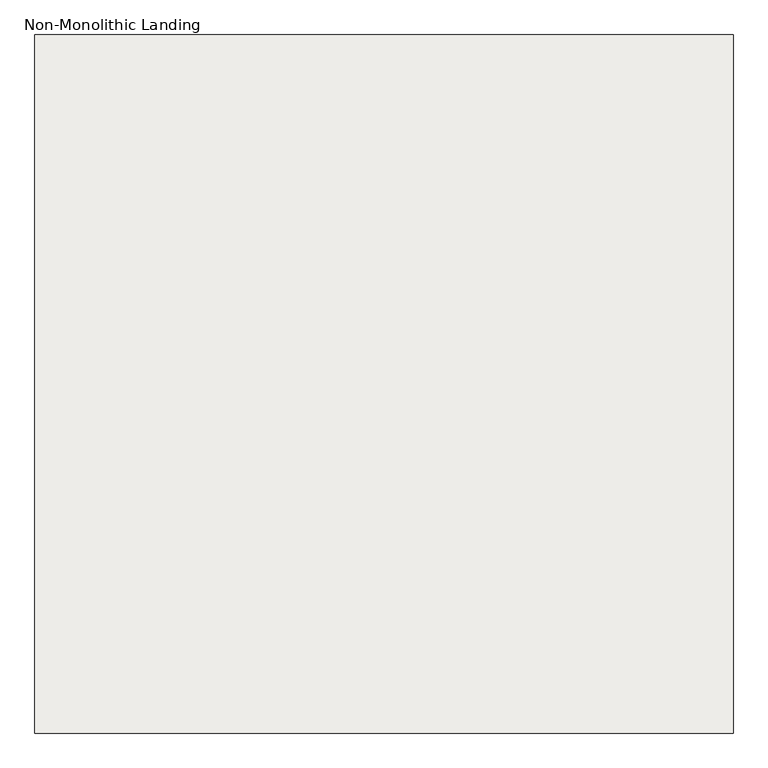
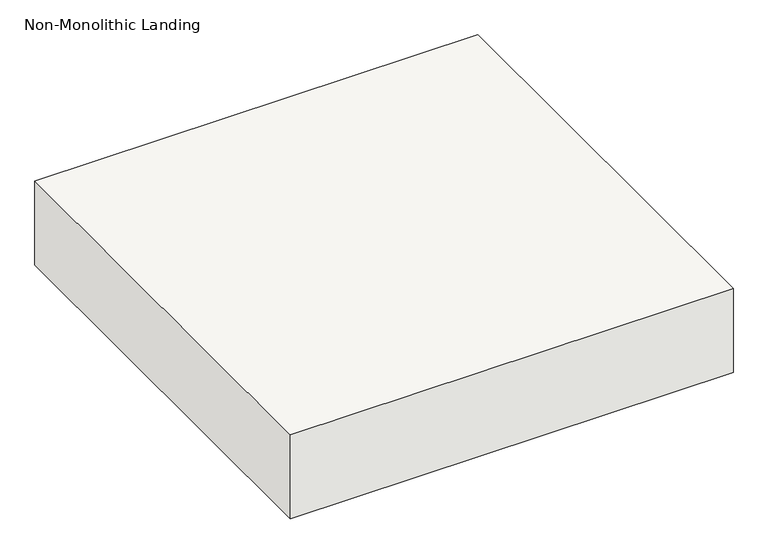
"""IFC4 building model written with IfcOpenShell, lengths in millimetres: slab geometry, Non-Monolithic Landing."""

import ifcopenshell
import ifcopenshell.guid

model = None  # the IFC model being written
_history = None  # IfcOwnerHistory: only IFC2X3 demands one
_inside = {}  # id of a spatial element -> (the spatial element, [elements in it])
_under = {}  # id of a project, library or spatial element -> (it, [spatial elements below it])
_declared = {}  # id of a project -> (the project, [libraries it declares])
_typed = {}  # id of a type object -> (the type object, [elements of that type])
_made_of = {}  # id of a material, layer set ... -> (it, [elements and type objects made of it])


def new_model(schema):
    """Start an empty IFC model of exactly this schema.

    Asked for "IFC4X3", IfcOpenShell would pick the latest addendum, in which some entities
    have other attributes; the version numbers below select the first issue.
    IFC2X3 requires an IfcOwnerHistory on every rooted entity: one is made here for all.
    """
    global model, _history
    if schema == "IFC4X3":
        model = ifcopenshell.file(schema_version=(4, 3, 0, 0))
    else:
        model = ifcopenshell.file(schema=schema)
    _inside.clear()
    _under.clear()
    _declared.clear()
    _typed.clear()
    _made_of.clear()
    _history = None
    if model.schema == "IFC2X3":
        org = make("IfcOrganization", Name="unknown")
        user = make(
            "IfcPersonAndOrganization",
            ThePerson=make("IfcPerson", FamilyName="unknown"),
            TheOrganization=org,
        )
        app = make(
            "IfcApplication",
            ApplicationDeveloper=org,
            Version="unknown",
            ApplicationFullName="unknown",
            ApplicationIdentifier="unknown",
        )
        _history = make(
            "IfcOwnerHistory",
            OwningUser=user,
            OwningApplication=app,
            ChangeAction="ADDED",
            CreationDate=0,
        )
    return model


def make(cls, **values):
    """One entity of the class cls with the attributes given. An attribute that is None is left unset."""
    return model.create_entity(
        cls, **{name: value for name, value in values.items() if value is not None}
    )


def rooted(cls, **values):
    """An entity with a GlobalId (a new one), such as an element, a storey or a relation."""
    return make(cls, GlobalId=ifcopenshell.guid.new(), OwnerHistory=_history, **values)


def si_unit(unit_type, name, prefix=None):
    """IfcSIUnit, for example si_unit("LENGTHUNIT", "METRE", prefix="MILLI")."""
    return make("IfcSIUnit", UnitType=unit_type, Prefix=prefix, Name=name)


def assignment(units):
    """IfcUnitAssignment: the units of a project."""
    return None if units is None else make("IfcUnitAssignment", Units=units)


def point(xyz):
    """IfcCartesianPoint."""
    return None if xyz is None else make("IfcCartesianPoint", Coordinates=xyz)


def direction(xyz):
    """IfcDirection."""
    return None if xyz is None else make("IfcDirection", DirectionRatios=xyz)


def frame(location, z_axis=None, x_axis=None):
    """IfcAxis2Placement3D, a coordinate frame: its origin and axes. An axis left out is left unset."""
    return make(
        "IfcAxis2Placement3D",
        Location=point(location),
        Axis=direction(z_axis),
        RefDirection=direction(x_axis),
    )


def origin():
    """The frame at (0, 0, 0) with its axes left unset."""
    return frame((0.0, 0.0, 0.0))


def place(relative_to, where):
    """IfcLocalPlacement: puts the frame where relative to a parent placement (None: the world)."""
    return make(
        "IfcLocalPlacement", PlacementRelTo=relative_to, RelativePlacement=where
    )


def context(
    kind, dimensions, precision=None, world=None, true_north=None, identifier=None
):
    """IfcGeometricRepresentationContext, for example the 3D "Model" context."""
    return make(
        "IfcGeometricRepresentationContext",
        ContextIdentifier=identifier,
        ContextType=kind,
        CoordinateSpaceDimension=dimensions,
        Precision=precision,
        WorldCoordinateSystem=world,
        TrueNorth=true_north,
    )


def project(units=None, contexts=None):
    """IfcProject with its units and contexts."""
    return rooted(
        "IfcProject",
        Name="project",
        RepresentationContexts=contexts,
        UnitsInContext=assignment(units),
    )


def spatial(cls, under=None, at=None, **own):
    """A site, building, storey or space (cls), placed at a placement, below another one or the project."""
    s = rooted(cls, ObjectPlacement=at, **own)
    if under is not None:
        _under.setdefault(under.id(), (under, []))[1].append(s)
    return s


def polyline(points):
    """IfcPolyline through the points."""
    return make("IfcPolyline", Points=[point(p) for p in points])


def outline(outer, holes=None, kind="AREA"):
    """IfcArbitraryClosedProfileDef: a profile drawn as a closed curve; with holes, ...WithVoids."""
    if holes is None:
        return make("IfcArbitraryClosedProfileDef", ProfileType=kind, OuterCurve=outer)
    return make(
        "IfcArbitraryProfileDefWithVoids",
        ProfileType=kind,
        OuterCurve=outer,
        InnerCurves=holes,
    )


def extrude(swept, where, along, depth):
    """IfcExtrudedAreaSolid: the profile swept, set in the frame where, extruded along a direction by depth."""
    return make(
        "IfcExtrudedAreaSolid",
        SweptArea=swept,
        Position=where,
        ExtrudedDirection=direction(along),
        Depth=depth,
    )


def shape(context_of_items, identifier, shape_type, items):
    """IfcShapeRepresentation: the items that make up one representation, for example the "Body"."""
    return make(
        "IfcShapeRepresentation",
        ContextOfItems=context_of_items,
        RepresentationIdentifier=identifier,
        RepresentationType=shape_type,
        Items=items,
    )


def source(mapping_origin, context_of_items, identifier, shape_type, items):
    """IfcRepresentationMap: a shape defined once, which mapped items show again and again."""
    return make(
        "IfcRepresentationMap",
        MappingOrigin=mapping_origin,
        MappedRepresentation=shape(context_of_items, identifier, shape_type, items),
    )


def transform(
    local_origin,
    x_axis=None,
    y_axis=None,
    z_axis=None,
    scale=None,
    scale2=None,
    scale3=None,
    uniform=True,
):
    """IfcCartesianTransformationOperator3D, or its non-uniform kind. x_axis, y_axis, z_axis: its Axis1, 2, 3."""
    if uniform:
        return make(
            "IfcCartesianTransformationOperator3D",
            Axis1=direction(x_axis),
            Axis2=direction(y_axis),
            LocalOrigin=point(local_origin),
            Scale=scale,
            Axis3=direction(z_axis),
        )
    return make(
        "IfcCartesianTransformationOperator3DnonUniform",
        Axis1=direction(x_axis),
        Axis2=direction(y_axis),
        LocalOrigin=point(local_origin),
        Scale=scale,
        Axis3=direction(z_axis),
        Scale2=scale2,
        Scale3=scale3,
    )


def mapped(mapping_source, mapping_target):
    """IfcMappedItem: shows the shape of a source again, moved by a transform."""
    return make(
        "IfcMappedItem", MappingSource=mapping_source, MappingTarget=mapping_target
    )


def made_of(thing, what):
    """Note that an element or type object is made of a material, layer set ...; save() writes the relation."""
    if what is not None:
        _made_of.setdefault(what.id(), (what, []))[1].append(thing)
    return thing


def element(
    cls,
    number,
    at=None,
    inside=None,
    cuts=None,
    type_object=None,
    material=None,
    context=None,
    identifier="Body",
    shape_type=None,
    held_by="IfcProductDefinitionShape",
    body=None,
    shapes=None,
    **own,
):
    """One element of the class cls, such as IfcWall. Its Tag is "e" and its number.

    at: its placement. inside: the storey or other place that contains it. cuts: it is an
    opening in that element (IfcRelVoidsElement). A single representation is given by context,
    identifier, shape_type and body (its items); several are given by shapes. held_by: the class
    of the entity that holds the representations. save() writes the other relations.
    """
    e = rooted(cls, Tag="e%d" % number, ObjectPlacement=at, **own)
    if body is not None:
        shapes = [shape(context, identifier, shape_type, body)]
    if shapes is not None:
        e.Representation = make(held_by, Representations=shapes)
    if inside is not None:
        _inside.setdefault(inside.id(), (inside, []))[1].append(e)
    if cuts is not None:
        rooted(
            "IfcRelVoidsElement", RelatingBuildingElement=cuts, RelatedOpeningElement=e
        )
    if type_object is not None:
        _typed.setdefault(type_object.id(), (type_object, []))[1].append(e)
    return made_of(e, material)


def aggregate(whole, parts):
    """IfcRelAggregates: a whole, such as a stair, and the parts it consists of."""
    return rooted("IfcRelAggregates", RelatingObject=whole, RelatedObjects=parts)


def save(model, path):
    """Write the relations noted so far, then the file.

    IfcRelAggregates (storeys below a building ...), IfcRelContainedInSpatialStructure (elements
    in a storey), IfcRelDefinesByType, IfcRelAssociatesMaterial and IfcRelDeclares: one each for
    every whole, place, type object, material and project.
    """
    for whole, parts in _under.values():
        aggregate(whole, parts)
    for where, things in _inside.values():
        rooted(
            "IfcRelContainedInSpatialStructure",
            RelatedElements=things,
            RelatingStructure=where,
        )
    for kind, things in _typed.values():
        rooted("IfcRelDefinesByType", RelatedObjects=things, RelatingType=kind)
    for what, things in _made_of.values():
        rooted("IfcRelAssociatesMaterial", RelatedObjects=things, RelatingMaterial=what)
    for by, libraries in _declared.values():
        rooted("IfcRelDeclares", RelatingContext=by, RelatedDefinitions=libraries)
    model.write(path)


def non_monolithic_landing_ffe976ce(model_context):
    return source(origin(), model_context, "Body", "SweptSolid", [
        extrude(outline(polyline([(5455.1809005, 1948.1591595), (6455.1809005, 1948.1591595), (6455.1809005, 948.1591595), (5455.1809005, 948.1591595), (5455.1809005, 1948.1591595)])), frame((0.0, 0.0, 712.0), z_axis=(0.0, 0.0, 1.0), x_axis=(1.0, 0.0, 0.0)), (0.0, 0.0, 1.0), 200.0),
    ])


if __name__ == "__main__":
    model = new_model("IFC4")
    model_context = context("Model", 3, world=origin())
    ifc_project = project(units=[si_unit("LENGTHUNIT", "METRE", prefix="MILLI")], contexts=[model_context])
    site = spatial("IfcSite", under=ifc_project)
    building = spatial("IfcBuilding", under=site)
    placement = place(None, origin())
    non_monolithic_landing_shape = non_monolithic_landing_ffe976ce(model_context)
    element("IfcSlab", 1, ObjectType="Non-Monolithic Landing", at=placement, inside=building, context=model_context, shape_type="MappedRepresentation", body=[
        mapped(non_monolithic_landing_shape, transform((0.0, 0.0, 0.0), x_axis=(1.0, 0.0, 0.0), y_axis=(0.0, 1.0, 0.0), z_axis=(0.0, 0.0, 1.0))),
    ])
    save(model, "model.ifc")
